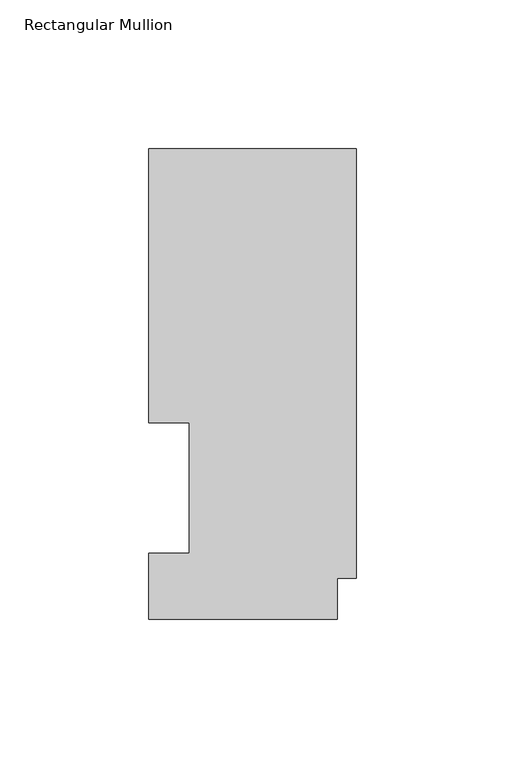
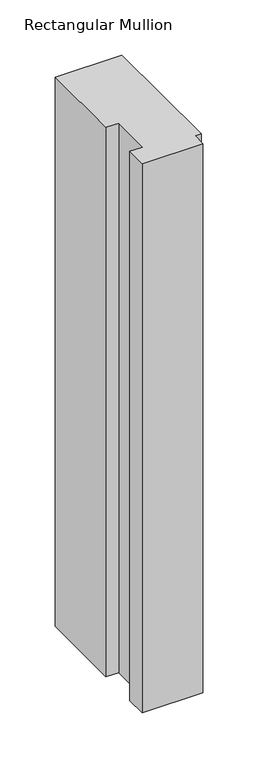
"""IFC4 building model written with IfcOpenShell, lengths in millimetres: member geometry, Rectangular Mullion."""

from ifc_helpers import new_model, si_unit, frame, origin, place, context, project, spatial, polyline, outline, extrude, source, transform, mapped, element, save


def rectangular_mullion_8e6f63f8(model_context):
    return source(origin(), model_context, "Body", "SweptSolid", [
        extrude(outline(polyline([(0.0, 158.2308875), (0.0, 13.7556875), (-6.35, 13.7556875), (-6.35, -0.0111125), (-69.85, -0.0111125), (-69.85, 22.1122875), (-56.1848, 22.1122875), (-56.1848, 66.0796875), (-69.85, 66.0796875), (-69.85, 158.2308875), (0.0, 158.2308875)])), frame((0.0, 0.0, -609.5976187), z_axis=(0.0, 0.0, 1.0), x_axis=(1.0, 0.0, 0.0)), (0.0, 0.0, 1.0), 609.5976187),
    ])


if __name__ == "__main__":
    model = new_model("IFC4")
    model_context = context("Model", 3, world=origin())
    ifc_project = project(units=[si_unit("LENGTHUNIT", "METRE", prefix="MILLI")], contexts=[model_context])
    site = spatial("IfcSite", under=ifc_project)
    building = spatial("IfcBuilding", under=site)
    placement = place(None, origin())
    rectangular_mullion_shape = rectangular_mullion_8e6f63f8(model_context)
    element("IfcMember", 1, ObjectType="Rectangular Mullion", at=placement, inside=building, context=model_context, shape_type="MappedRepresentation", body=[
        mapped(rectangular_mullion_shape, transform((0.0, 0.0, 0.0), x_axis=(1.0, 0.0, 0.0), y_axis=(0.0, 1.0, 0.0), z_axis=(0.0, 0.0, 1.0))),
    ])
    save(model, "model.ifc")
